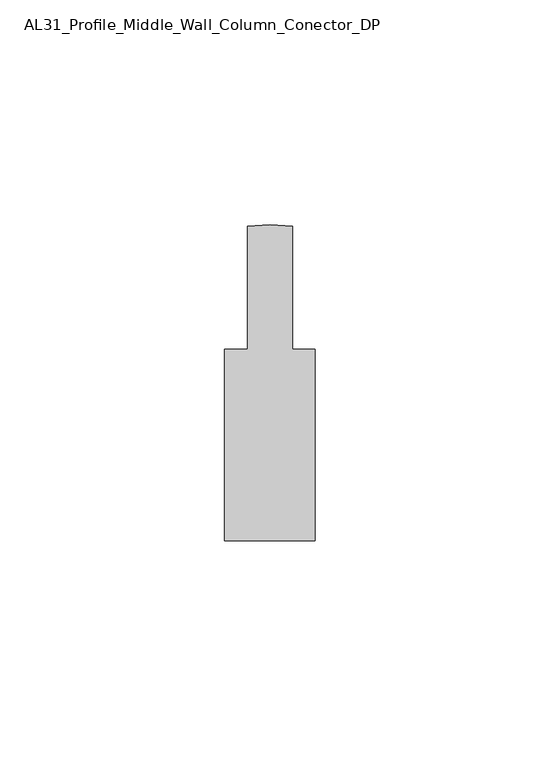
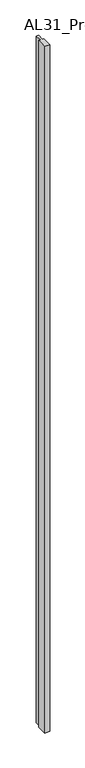
"""IFC4 building model written with IfcOpenShell, lengths in millimetres: member geometry, AL31_Profile_Middle_Wall_Column_Conector_DP."""

from ifc_helpers import new_model, si_unit, point, frame, frame_2d, origin, place, context, project, spatial, polyline, circle_curve, trimmed, segment, composite_curve, outline, extrude, source, transform, mapped, element, save


def al31_profile_middle_wall_column_conector_dp_7d72b03a(model_context):
    return source(origin(), model_context, "Body", "SweptSolid", [
        extrude(outline(composite_curve([segment(polyline([(-10.0998979, -35.1929937), (-10.0998979, 7.5070054), (-4.9998991, 7.5070054), (-4.9998991, 34.8750889)]), True, "CONTINUOUS"), segment(trimmed(circle_curve(frame_2d((0.0116092, -2.7929982)), 38.0), [point((-4.9998991, 34.8750889))], [point((5.0001009, 34.8781439))], False, "CARTESIAN"), True, "CONTINUOUS"), segment(polyline([(5.0001009, 34.8781439), (5.0001009, 7.5070054), (10.1001021, 7.5070054), (10.1001021, -35.1929937), (-10.0998979, -35.1929937)]), True, "CONTINUOUS")], self_intersect=False)), frame((0.0, 0.0, -3000.0), z_axis=(0.0, 0.0, 1.0), x_axis=(1.0, 0.0, 0.0)), (0.0, 0.0, 1.0), 3000.0),
    ])


if __name__ == "__main__":
    model = new_model("IFC4")
    model_context = context("Model", 3, world=origin())
    ifc_project = project(units=[si_unit("LENGTHUNIT", "METRE", prefix="MILLI")], contexts=[model_context])
    site = spatial("IfcSite", under=ifc_project)
    building = spatial("IfcBuilding", under=site)
    placement = place(None, origin())
    al31_profile_middle_wall_column_conector_dp_shape = al31_profile_middle_wall_column_conector_dp_7d72b03a(model_context)
    element("IfcMember", 1, ObjectType="AL31_Profile_Middle_Wall_Column_Conector_DP", at=placement, inside=building, context=model_context, shape_type="MappedRepresentation", body=[
        mapped(al31_profile_middle_wall_column_conector_dp_shape, transform((0.0, 0.0, 0.0), x_axis=(1.0, 0.0, 0.0), y_axis=(0.0, 1.0, 0.0), z_axis=(0.0, 0.0, 1.0))),
    ])
    save(model, "model.ifc")
